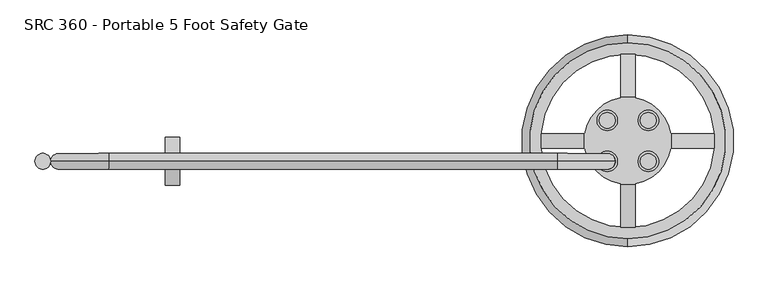
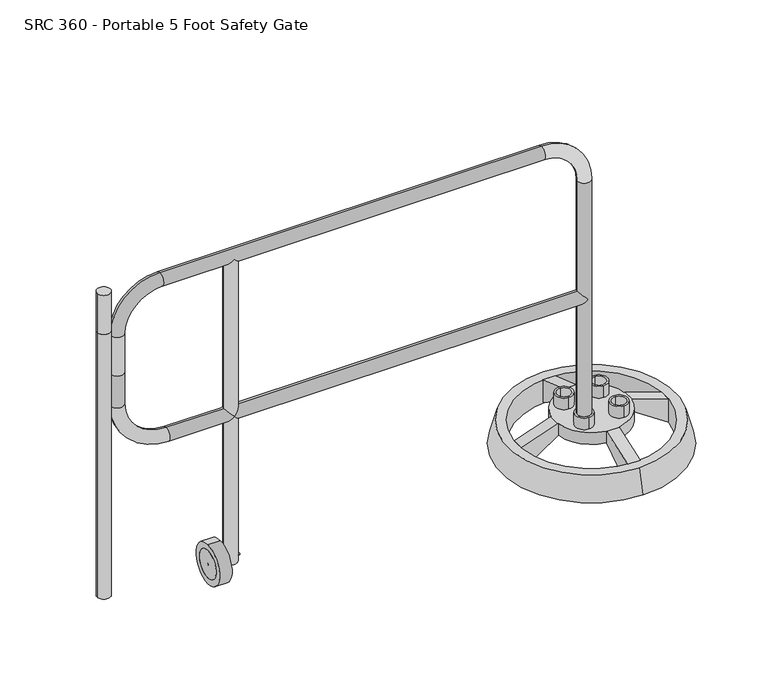
"""IFC4 building model written with IfcOpenShell, lengths in millimetres: railing geometry, SRC 360 - Portable 5 Foot Safety Gate."""

from ifc_helpers import new_model, si_unit, point, frame, frame_2d, origin, place, context, project, spatial, polyline, circle_curve, ellipse_curve, trimmed, segment, composite_curve, outline, extrude, source, transform, mapped, element, save
from ifc_brep_helpers import plane_surface, cylinder_surface, revolved_surface, advanced_brep


def src_360_portable_5_foot_safety_gate_240d9fe8(model_context):
    return source(origin(), model_context, "Body", "SolidModel", [
        advanced_brep(
        [(-33731.4836419, 13551.9643928, 114.3), (-33731.4836419, 13593.2393928, 114.3), (-33731.4836419, 13659.7274662, 114.3), (-33731.4836419, 13701.0024662, 114.3), (-33623.7205684, 13551.9643928, 114.3), (-33623.7205684, 13593.2393928, 114.3), (-33623.7205684, 13659.7274662, 114.3), (-33623.7205684, 13701.0024662, 114.3), (-33658.5521052, 13740.7834295, 114.3), (-33696.6521052, 13740.7834295, 114.3), (-33696.6521052, 13739.1847493, 114.3), (-33790.303425, 13645.5334295, 114.3), (-33791.9021052, 13645.5334295, 114.3), (-33791.9021052, 13607.4334295, 114.3), (-33790.303425, 13607.4334295, 114.3), (-33696.6521052, 13513.7821096, 114.3), (-33696.6521052, 13512.1834295, 114.3), (-33658.5521052, 13512.1834295, 114.3), (-33658.5521052, 13513.7821096, 114.3), (-33564.9007853, 13607.4334295, 114.3), (-33563.3021052, 13607.4334295, 114.3), (-33563.3021052, 13645.5334295, 114.3), (-33564.9007853, 13645.5334295, 114.3), (-33658.5521052, 13739.1847493, 114.3), (-33731.4836419, 13545.6143928, 114.3), (-33731.4836419, 13599.5893928, 114.3), (-33731.4836419, 13653.3774662, 114.3), (-33731.4836419, 13707.3524662, 114.3), (-33623.7205684, 13545.6143928, 114.3), (-33623.7205684, 13599.5893928, 114.3), (-33623.7205684, 13653.3774662, 114.3), (-33623.7205684, 13707.3524662, 114.3), (-33696.6521052, 13740.7834295, 76.2), (-33658.5521052, 13740.7834295, 76.2), (-33658.5521052, 13739.1847493, 76.2), (-33564.9007853, 13645.5334295, 76.2), (-33563.3021052, 13645.5334295, 76.2), (-33563.3021052, 13607.4334295, 76.2), (-33564.9007853, 13607.4334295, 76.2), (-33658.5521052, 13513.7821096, 76.2), (-33658.5521052, 13512.1834295, 76.2), (-33696.6521052, 13512.1834295, 76.2), (-33696.6521052, 13513.7821096, 76.2), (-33790.303425, 13607.4334295, 76.2), (-33791.9021052, 13607.4334295, 76.2), (-33791.9021052, 13645.5334295, 76.2), (-33790.303425, 13645.5334295, 76.2), (-33696.6521052, 13739.1847493, 76.2), (-33658.5521052, 13399.1534295, 76.2), (-33658.5521052, 13399.1534295, 0.0), (-33658.5521052, 13853.8134295, 0.0), (-33658.5521052, 13853.8134295, 76.2), (-33696.6521052, 13853.8134295, 76.2), (-33696.6521052, 13853.8134295, 0.0), (-33696.6521052, 13399.1534295, 0.0), (-33696.6521052, 13399.1534295, 76.2), (-33904.9321052, 13607.4334295, 76.2), (-33904.9321052, 13607.4334295, 0.0), (-33450.2721052, 13607.4334295, 0.0), (-33450.2721052, 13607.4334295, 76.2), (-33450.2721052, 13645.5334295, 76.2), (-33450.2721052, 13645.5334295, 0.0), (-33904.9321052, 13645.5334295, 0.0), (-33904.9321052, 13645.5334295, 76.2), (-33731.4836419, 13599.5893928, 152.4), (-33731.4836419, 13545.6143928, 152.4), (-33731.4836419, 13593.2393928, 152.4), (-33731.4836419, 13551.9643928, 152.4), (-33731.4836419, 13707.3524662, 152.4), (-33731.4836419, 13653.3774662, 152.4), (-33731.4836419, 13701.0024662, 152.4), (-33731.4836419, 13659.7274662, 152.4), (-33623.7205684, 13599.5893928, 152.4), (-33623.7205684, 13545.6143928, 152.4), (-33623.7205684, 13593.2393928, 152.4), (-33623.7205684, 13551.9643928, 152.4), (-33623.7205684, 13707.3524662, 152.4), (-33623.7205684, 13653.3774662, 152.4), (-33623.7205684, 13701.0024662, 152.4), (-33623.7205684, 13659.7274662, 152.4)],
        [
            (0, 1, circle_curve(frame((-33731.4836419, 13572.6018928, 114.3), z_axis=(0.0, 0.0, 1.0), x_axis=(0.0, -1.0, 0.0)), 20.6375)),
            (1, 0, circle_curve(frame((-33731.4836419, 13572.6018928, 114.3), z_axis=(0.0, 0.0, 1.0), x_axis=(0.0, -1.0, 0.0)), 20.6375)),
            (2, 3, circle_curve(frame((-33731.4836419, 13680.3649662, 114.3), z_axis=(0.0, 0.0, 1.0), x_axis=(0.0, -1.0, 0.0)), 20.6375)),
            (3, 2, circle_curve(frame((-33731.4836419, 13680.3649662, 114.3), z_axis=(0.0, 0.0, 1.0), x_axis=(0.0, -1.0, 0.0)), 20.6375)),
            (4, 5, circle_curve(frame((-33623.7205684, 13572.6018928, 114.3), z_axis=(0.0, 0.0, 1.0), x_axis=(0.0, -1.0, 0.0)), 20.6375)),
            (5, 4, circle_curve(frame((-33623.7205684, 13572.6018928, 114.3), z_axis=(0.0, 0.0, 1.0), x_axis=(0.0, -1.0, 0.0)), 20.6375)),
            (6, 7, circle_curve(frame((-33623.7205684, 13680.3649662, 114.3), z_axis=(0.0, 0.0, 1.0), x_axis=(0.0, -1.0, 0.0)), 20.6375)),
            (7, 6, circle_curve(frame((-33623.7205684, 13680.3649662, 114.3), z_axis=(0.0, 0.0, 1.0), x_axis=(0.0, -1.0, 0.0)), 20.6375)),
            (8, 9),
            (9, 10),
            (10, 11, circle_curve(frame((-33677.6021052, 13626.4834295, 114.3), z_axis=(0.0, 0.0, 1.0), x_axis=(0.0, -1.0, 0.0)), 114.3)),
            (11, 12),
            (12, 13),
            (13, 14),
            (14, 15, circle_curve(frame((-33677.6021052, 13626.4834295, 114.3), z_axis=(0.0, 0.0, 1.0), x_axis=(0.0, -1.0, 0.0)), 114.3)),
            (15, 16),
            (16, 17),
            (17, 18),
            (18, 19, circle_curve(frame((-33677.6021052, 13626.4834295, 114.3), z_axis=(0.0, 0.0, 1.0), x_axis=(0.0, -1.0, 0.0)), 114.3)),
            (19, 20),
            (20, 21),
            (21, 22),
            (22, 23, circle_curve(frame((-33677.6021052, 13626.4834295, 114.3), z_axis=(0.0, 0.0, 1.0), x_axis=(0.0, -1.0, 0.0)), 114.3)),
            (23, 8),
            (24, 25, circle_curve(frame((-33731.4836419, 13572.6018928, 114.3), z_axis=(0.0, 0.0, -1.0), x_axis=(0.0, -1.0, 0.0)), 26.9875)),
            (25, 24, circle_curve(frame((-33731.4836419, 13572.6018928, 114.3), z_axis=(0.0, 0.0, -1.0), x_axis=(0.0, -1.0, 0.0)), 26.9875)),
            (26, 27, circle_curve(frame((-33731.4836419, 13680.3649662, 114.3), z_axis=(0.0, 0.0, -1.0), x_axis=(0.0, -1.0, 0.0)), 26.9875)),
            (27, 26, circle_curve(frame((-33731.4836419, 13680.3649662, 114.3), z_axis=(0.0, 0.0, -1.0), x_axis=(0.0, -1.0, 0.0)), 26.9875)),
            (28, 29, circle_curve(frame((-33623.7205684, 13572.6018928, 114.3), z_axis=(0.0, 0.0, -1.0), x_axis=(0.0, -1.0, 0.0)), 26.9875)),
            (29, 28, circle_curve(frame((-33623.7205684, 13572.6018928, 114.3), z_axis=(0.0, 0.0, -1.0), x_axis=(0.0, -1.0, 0.0)), 26.9875)),
            (30, 31, circle_curve(frame((-33623.7205684, 13680.3649662, 114.3), z_axis=(0.0, 0.0, -1.0), x_axis=(0.0, -1.0, 0.0)), 26.9875)),
            (31, 30, circle_curve(frame((-33623.7205684, 13680.3649662, 114.3), z_axis=(0.0, 0.0, -1.0), x_axis=(0.0, -1.0, 0.0)), 26.9875)),
            (32, 33),
            (33, 34),
            (34, 35, circle_curve(frame((-33677.6021052, 13626.4834295, 76.2), z_axis=(0.0, 0.0, -1.0), x_axis=(0.0, -1.0, 0.0)), 114.3)),
            (35, 36),
            (36, 37),
            (37, 38),
            (38, 39, circle_curve(frame((-33677.6021052, 13626.4834295, 76.2), z_axis=(0.0, 0.0, -1.0), x_axis=(0.0, -1.0, 0.0)), 114.3)),
            (39, 40),
            (40, 41),
            (41, 42),
            (42, 43, circle_curve(frame((-33677.6021052, 13626.4834295, 76.2), z_axis=(0.0, 0.0, -1.0), x_axis=(0.0, -1.0, 0.0)), 114.3)),
            (43, 44),
            (44, 45),
            (45, 46),
            (46, 47, circle_curve(frame((-33677.6021052, 13626.4834295, 76.2), z_axis=(0.0, 0.0, -1.0), x_axis=(0.0, -1.0, 0.0)), 114.3)),
            (47, 32),
            (22, 35),
            (34, 23),
            (38, 19),
            (18, 39),
            (14, 43),
            (42, 15),
            (46, 11),
            (10, 47),
            (17, 48),
            (48, 49),
            (49, 40),
            (33, 50),
            (50, 51),
            (51, 8),
            (9, 52),
            (52, 53),
            (53, 32),
            (41, 54),
            (54, 55),
            (55, 16),
            (49, 54),
            (48, 55),
            (51, 52),
            (50, 53),
            (13, 56),
            (56, 57),
            (57, 44),
            (37, 58),
            (58, 59),
            (59, 20),
            (21, 60),
            (60, 61),
            (61, 36),
            (45, 62),
            (62, 63),
            (63, 12),
            (57, 62),
            (56, 63),
            (59, 60),
            (58, 61),
            (64, 65, circle_curve(frame((-33731.4836419, 13572.6018928, 152.4), z_axis=(0.0, 0.0, 1.0), x_axis=(0.0, -1.0, 0.0)), 26.9875)),
            (65, 64, circle_curve(frame((-33731.4836419, 13572.6018928, 152.4), z_axis=(0.0, 0.0, 1.0), x_axis=(0.0, -1.0, 0.0)), 26.9875)),
            (66, 67, circle_curve(frame((-33731.4836419, 13572.6018928, 152.4), z_axis=(0.0, 0.0, -1.0), x_axis=(0.0, -1.0, 0.0)), 20.6375)),
            (67, 66, circle_curve(frame((-33731.4836419, 13572.6018928, 152.4), z_axis=(0.0, 0.0, -1.0), x_axis=(0.0, -1.0, 0.0)), 20.6375)),
            (68, 69, circle_curve(frame((-33731.4836419, 13680.3649662, 152.4), z_axis=(0.0, 0.0, 1.0), x_axis=(0.0, -1.0, 0.0)), 26.9875)),
            (69, 68, circle_curve(frame((-33731.4836419, 13680.3649662, 152.4), z_axis=(0.0, 0.0, 1.0), x_axis=(0.0, -1.0, 0.0)), 26.9875)),
            (70, 71, circle_curve(frame((-33731.4836419, 13680.3649662, 152.4), z_axis=(0.0, 0.0, -1.0), x_axis=(0.0, -1.0, 0.0)), 20.6375)),
            (71, 70, circle_curve(frame((-33731.4836419, 13680.3649662, 152.4), z_axis=(0.0, 0.0, -1.0), x_axis=(0.0, -1.0, 0.0)), 20.6375)),
            (72, 73, circle_curve(frame((-33623.7205684, 13572.6018928, 152.4), z_axis=(0.0, 0.0, 1.0), x_axis=(0.0, -1.0, 0.0)), 26.9875)),
            (73, 72, circle_curve(frame((-33623.7205684, 13572.6018928, 152.4), z_axis=(0.0, 0.0, 1.0), x_axis=(0.0, -1.0, 0.0)), 26.9875)),
            (74, 75, circle_curve(frame((-33623.7205684, 13572.6018928, 152.4), z_axis=(0.0, 0.0, -1.0), x_axis=(0.0, -1.0, 0.0)), 20.6375)),
            (75, 74, circle_curve(frame((-33623.7205684, 13572.6018928, 152.4), z_axis=(0.0, 0.0, -1.0), x_axis=(0.0, -1.0, 0.0)), 20.6375)),
            (76, 77, circle_curve(frame((-33623.7205684, 13680.3649662, 152.4), z_axis=(0.0, 0.0, 1.0), x_axis=(0.0, -1.0, 0.0)), 26.9875)),
            (77, 76, circle_curve(frame((-33623.7205684, 13680.3649662, 152.4), z_axis=(0.0, 0.0, 1.0), x_axis=(0.0, -1.0, 0.0)), 26.9875)),
            (78, 79, circle_curve(frame((-33623.7205684, 13680.3649662, 152.4), z_axis=(0.0, 0.0, -1.0), x_axis=(0.0, -1.0, 0.0)), 20.6375)),
            (79, 78, circle_curve(frame((-33623.7205684, 13680.3649662, 152.4), z_axis=(0.0, 0.0, -1.0), x_axis=(0.0, -1.0, 0.0)), 20.6375)),
            (67, 0),
            (1, 66),
            (65, 24),
            (25, 64),
            (71, 2),
            (3, 70),
            (69, 26),
            (27, 68),
            (75, 4),
            (5, 74),
            (73, 28),
            (29, 72),
            (79, 6),
            (7, 78),
            (77, 30),
            (31, 76),
        ],
        [
            plane_surface(frame((-33677.6021052, 13512.1834295, 114.3), z_axis=(0.0, 0.0, 1.0), x_axis=(-1.0, 0.0, 0.0))),
            plane_surface(frame((-33677.6021052, 13512.1834295, 76.2), z_axis=(0.0, 0.0, -1.0), x_axis=(1.0, 0.0, 0.0))),
            cylinder_surface(frame((-33677.6021052, 13626.4834295, 76.2), z_axis=(0.0, 0.0, 1.0), x_axis=(0.0, -1.0, 0.0)), 114.3),
            plane_surface(frame((-33658.5521052, 13740.7834295, 76.2), z_axis=(1.0, 0.0, 0.0), x_axis=(0.0, -1.0, 0.0))),
            plane_surface(frame((-33696.6521052, 13740.7834295, 76.2), z_axis=(-1.0, 0.0, 0.0), x_axis=(0.0, 1.0, 0.0))),
            plane_surface(frame((-33658.5521052, 13512.1834295, 76.2), z_axis=(0.0, 0.5589927330635486, -0.8291725540453835), x_axis=(-1.0, 0.0, 0.0))),
            plane_surface(frame((-33658.5521052, 13399.1534295, 0.0), z_axis=(0.0, -1.0, 0.0), x_axis=(-1.0, 0.0, 0.0))),
            plane_surface(frame((-33658.5521052, 13399.1534295, 76.2), z_axis=(0.0, -0.3194201752933905, 0.9476131867041212), x_axis=(-1.0, 0.0, 0.0))),
            plane_surface(frame((-33658.5521052, 13740.7834295, 114.3), z_axis=(0.0, 0.31942017529351635, 0.9476131867040788), x_axis=(-1.0, 0.0, 0.0))),
            plane_surface(frame((-33658.5521052, 13853.8134295, 76.2), z_axis=(0.0, 1.0, 0.0), x_axis=(-1.0, 0.0, 0.0))),
            plane_surface(frame((-33658.5521052, 13853.8134295, 0.0), z_axis=(0.0, -0.558992733064067, -0.829172554045034), x_axis=(-1.0, 0.0, 0.0))),
            plane_surface(frame((-33904.9321052, 13607.4334295, 0.0), z_axis=(0.0, -1.0000000000000002, 0.0), x_axis=(-0.829172554045034, 0.0, -0.5589927330640672))),
            plane_surface(frame((-33904.9321052, 13645.5334295, 0.0), z_axis=(0.0, 1.0000000000000002, 0.0), x_axis=(0.829172554045034, 0.0, 0.5589927330640672))),
            plane_surface(frame((-33791.9021052, 13607.4334295, 76.2), z_axis=(0.5589927330640672, 0.0, -0.829172554045034), x_axis=(0.0, 1.0, 0.0))),
            plane_surface(frame((-33904.9321052, 13607.4334295, 0.0), z_axis=(-1.0, 0.0, 0.0), x_axis=(0.0, 1.0, 0.0))),
            plane_surface(frame((-33904.9321052, 13607.4334295, 76.2), z_axis=(-0.31942017529351113, 0.0, 0.9476131867040806), x_axis=(0.0, 1.0, 0.0))),
            plane_surface(frame((-33563.3021052, 13607.4334295, 114.3), z_axis=(0.31942017529351646, 0.0, 0.9476131867040788), x_axis=(0.0, 1.0, 0.0))),
            plane_surface(frame((-33450.2721052, 13607.4334295, 76.2), z_axis=(1.0, 0.0, 0.0), x_axis=(0.0, 1.0, 0.0))),
            plane_surface(frame((-33450.2721052, 13607.4334295, 0.0), z_axis=(-0.558992733064071, 0.0, -0.8291725540450313), x_axis=(0.0, 1.0, 0.0))),
            plane_surface(frame((-33731.4836419, 13551.9643928, 152.4), z_axis=(0.0, 0.0, 1.0), x_axis=(1.0, 0.0, 0.0))),
            revolved_surface(polyline([(-33731.4836419, 13551.964392799999, 114.3), (-33731.4836419, 13551.964392799999, 152.4)]), (-33731.4836419, 13572.6018928, 114.3), (0.0, 0.0, -1.0)),
            cylinder_surface(frame((-33731.4836419, 13572.6018928, 0.0), z_axis=(0.0, 0.0, 1.0), x_axis=(0.0, -1.0, 0.0)), 26.9875),
            revolved_surface(polyline([(-33731.4836419, 13659.7274662, 114.3), (-33731.4836419, 13659.7274662, 152.4)]), (-33731.4836419, 13680.3649662, 0.0), (0.0, 0.0, -1.0)),
            cylinder_surface(frame((-33731.4836419, 13680.3649662, 0.0), z_axis=(0.0, 0.0, 1.0), x_axis=(0.0, -1.0, 0.0)), 26.9875),
            revolved_surface(polyline([(-33623.7205684, 13551.964392799999, 114.3), (-33623.7205684, 13551.964392799999, 152.4)]), (-33623.7205684, 13572.6018928, 0.0), (0.0, 0.0, -1.0)),
            cylinder_surface(frame((-33623.7205684, 13572.6018928, 0.0), z_axis=(0.0, 0.0, 1.0), x_axis=(0.0, -1.0, 0.0)), 26.9875),
            revolved_surface(polyline([(-33623.7205684, 13659.7274662, 114.3), (-33623.7205684, 13659.7274662, 152.4)]), (-33623.7205684, 13680.3649662, 0.0), (0.0, 0.0, -1.0)),
            cylinder_surface(frame((-33623.7205684, 13680.3649662, 0.0), z_axis=(0.0, 0.0, 1.0), x_axis=(0.0, -1.0, 0.0)), 26.9875),
        ],
        [
            (0, [[1, 2]]),
            (0, [[3, 4]]),
            (0, [[5, 6]]),
            (0, [[7, 8]]),
            (0, [[9, 10, 11, 12, 13, 14, 15, 16, 17, 18, 19, 20, 21, 22, 23, 24], [25, 26], [27, 28], [29, 30], [31, 32]]),
            (1, [[33, 34, 35, 36, 37, 38, 39, 40, 41, 42, 43, 44, 45, 46, 47, 48]]),
            (2, [[-23, 49, -35, 50]]),
            (2, [[-39, 51, -19, 52]]),
            (2, [[-15, 53, -43, 54]]),
            (2, [[-47, 55, -11, 56]]),
            (3, [[-40, -52, -18, 57, 58, 59]]),
            (3, [[-24, -50, -34, 60, 61, 62]]),
            (4, [[-48, -56, -10, 63, 64, 65]]),
            (4, [[-16, -54, -42, 66, 67, 68]]),
            (5, [[69, -66, -41, -59]]),
            (6, [[70, -67, -69, -58]]),
            (7, [[-17, -68, -70, -57]]),
            (8, [[71, -63, -9, -62]]),
            (9, [[72, -64, -71, -61]]),
            (10, [[-33, -65, -72, -60]]),
            (11, [[-44, -53, -14, 73, 74, 75]]),
            (11, [[-20, -51, -38, 76, 77, 78]]),
            (12, [[-36, -49, -22, 79, 80, 81]]),
            (12, [[-12, -55, -46, 82, 83, 84]]),
            (13, [[85, -82, -45, -75]]),
            (14, [[86, -83, -85, -74]]),
            (15, [[-13, -84, -86, -73]]),
            (16, [[87, -79, -21, -78]]),
            (17, [[88, -80, -87, -77]]),
            (18, [[-37, -81, -88, -76]]),
            (19, [[89, 90], [91, 92]]),
            (19, [[93, 94], [95, 96]]),
            (19, [[97, 98], [99, 100]]),
            (19, [[101, 102], [103, 104]]),
            (20, [[105, -2, 106, -92]]),
            (20, [[-106, -1, -105, -91]]),
            (21, [[107, -26, 108, -90]]),
            (21, [[-108, -25, -107, -89]]),
            (22, [[109, -4, 110, -96]]),
            (22, [[-110, -3, -109, -95]]),
            (23, [[111, -28, 112, -94]]),
            (23, [[-112, -27, -111, -93]]),
            (24, [[113, -6, 114, -100]]),
            (24, [[-114, -5, -113, -99]]),
            (25, [[115, -30, 116, -98]]),
            (25, [[-116, -29, -115, -97]]),
            (26, [[117, -8, 118, -104]]),
            (26, [[-118, -7, -117, -103]]),
            (27, [[119, -32, 120, -102]]),
            (27, [[-120, -31, -119, -101]]),
        ],
    ),
        advanced_brep(
        [(-33677.6021052, 13399.1534295, 0.0), (-33677.6021052, 13399.1534295, 76.2), (-33677.6021052, 13853.8134295, 76.2), (-33677.6021052, 13853.8134295, 0.0), (-33677.6021052, 13368.7711579, 76.2), (-33677.6021052, 13348.3534295, 0.0), (-33677.6021052, 13904.6134295, 0.0), (-33677.6021052, 13884.195701, 76.2)],
        [
            (0, 1),
            (1, 2, circle_curve(frame((-33677.6021052, 13626.4834295, 76.2), z_axis=(0.0, 0.0, 1.0), x_axis=(0.0, 1.0, 0.0)), 227.33)),
            (2, 3),
            (3, 0, circle_curve(frame((-33677.6021052, 13626.4834295, 0.0), z_axis=(0.0, 0.0, -1.0), x_axis=(0.0, 1.0, 0.0)), 227.33)),
            (4, 5),
            (5, 6, circle_curve(frame((-33677.6021052, 13626.4834295, 0.0), z_axis=(0.0, 0.0, 1.0), x_axis=(0.0, 1.0, 0.0)), 278.13)),
            (6, 7),
            (7, 4, circle_curve(frame((-33677.6021052, 13626.4834295, 76.2), z_axis=(0.0, 0.0, -1.0), x_axis=(0.0, 1.0, 0.0)), 257.7122715)),
            (7, 4, circle_curve(frame((-33677.6021052, 13626.4834295, 76.2), z_axis=(0.0, 0.0, 1.0), x_axis=(0.0, -1.0, 0.0)), 257.7122715)),
            (1, 2, circle_curve(frame((-33677.6021052, 13626.4834295, 76.2), z_axis=(0.0, 0.0, -1.0), x_axis=(0.0, -1.0, 0.0)), 227.33)),
            (0, 3, circle_curve(frame((-33677.6021052, 13626.4834295, 0.0), z_axis=(0.0, 0.0, -1.0), x_axis=(0.0, -1.0, 0.0)), 227.33)),
            (5, 6, circle_curve(frame((-33677.6021052, 13626.4834295, 0.0), z_axis=(0.0, 0.0, -1.0), x_axis=(0.0, -1.0, 0.0)), 278.13)),
        ],
        [
            revolved_surface(polyline([(-33677.6021052, 13853.8134295, 76.2), (-33677.6021052, 13853.8134295, 0.0)]), (-33677.6021052, 13626.4834295, 0.0), (0.0, 0.0, 1.0)),
            revolved_surface(polyline([(-33677.6021052, 13904.6134295, 0.0), (-33677.6021052, 13884.195701, 76.2)]), (-33677.6021052, 13626.4834295, 0.0), (0.0, 0.0, 1.0)),
            plane_surface(frame((-33677.6021052, 13626.4834295, 76.2), z_axis=(0.0, 0.0, 1.0), x_axis=(0.0, -1.0, 0.0))),
            revolved_surface(polyline([(-33677.6021052, 13399.1534295, 76.2), (-33677.6021052, 13399.1534295, 0.0)]), (-33677.6021052, 13626.4834295, 0.0), (0.0, 0.0, 1.0)),
            plane_surface(frame((-33677.6021052, 13626.4834295, 0.0), z_axis=(0.0, 0.0, -1.0), x_axis=(0.0, -1.0, 0.0))),
            revolved_surface(polyline([(-33677.6021052, 13348.3534295, 0.0), (-33677.6021052, 13368.7711579, 76.2)]), (-33677.6021052, 13626.4834295, 0.0), (0.0, 0.0, 1.0)),
        ],
        [
            (0, [[1, 2, 3, 4]]),
            (1, [[5, 6, 7, 8]]),
            (2, [[-8, 9], [-2, 10]]),
            (3, [[-3, -10, -1, 11]]),
            (4, [[-6, 12], [-4, -11]]),
            (5, [[-7, -12, -5, -9]]),
        ],
    ),
        extrude(outline(composite_curve([segment(trimmed(circle_curve(frame_2d((-35214.2086419, 13572.6018928)), 20.6375), [point((-35234.8461419, 13572.6018928))], [point((-35193.5711419, 13572.6018928))], False, "CARTESIAN"), True, "CONTINUOUS"), segment(trimmed(circle_curve(frame_2d((-35214.2086419, 13572.6018928)), 20.6375), [point((-35193.5711419, 13572.6018928))], [point((-35234.8461419, 13572.6018928))], False, "CARTESIAN"), True, "CONTINUOUS")], self_intersect=False)), frame((0.0, 0.0, 939.8), z_axis=(0.0, 0.0, 1.0), x_axis=(1.0, 0.0, 0.0)), (0.0, 0.0, 1.0), 127.0),
        extrude(outline(composite_curve([segment(trimmed(circle_curve(frame_2d((13572.6018928, 63.5)), 44.45), [point((13572.6018928, 107.95))], [point((13572.6018928, 19.05))], False, "CARTESIAN"), True, "CONTINUOUS"), segment(trimmed(circle_curve(frame_2d((13572.6018928, 63.5)), 44.45), [point((13572.6018928, 19.05))], [point((13572.6018928, 107.95))], False, "CARTESIAN"), True, "CONTINUOUS")], self_intersect=False)), frame((-34892.7398919, 0.0, 0.0), z_axis=(1.0, 0.0, 0.0), x_axis=(0.0, 1.0, 0.0)), (0.0, 0.0, 1.0), 38.1),
        extrude(outline(composite_curve([segment(trimmed(circle_curve(frame_2d((13572.6018928, 63.5)), 63.5), [point((13572.6018928, 127.0))], [point((13572.6018928, 0.0))], False, "CARTESIAN"), True, "CONTINUOUS"), segment(trimmed(circle_curve(frame_2d((13572.6018928, 63.5)), 63.5), [point((13572.6018928, 0.0))], [point((13572.6018928, 127.0))], False, "CARTESIAN"), True, "CONTINUOUS")], self_intersect=False), holes=[composite_curve([segment(trimmed(circle_curve(frame_2d((13572.6018928, 63.5)), 44.45), [point((13572.6018928, 107.95))], [point((13572.6018928, 19.05))], True, "CARTESIAN"), True, "CONTINUOUS"), segment(trimmed(circle_curve(frame_2d((13572.6018928, 63.5)), 44.45), [point((13572.6018928, 19.05))], [point((13572.6018928, 107.95))], True, "CARTESIAN"), True, "CONTINUOUS")], self_intersect=False)]), frame((-34892.7398919, 0.0, 0.0), z_axis=(1.0, 0.0, 0.0), x_axis=(0.0, 1.0, 0.0)), (0.0, 0.0, 1.0), 38.1),
        extrude(outline(composite_curve([segment(trimmed(circle_curve(frame_2d((13572.6018928, 63.5)), 3.175), [point((13572.6018928, 66.675))], [point((13572.6018928, 60.325))], False, "CARTESIAN"), True, "CONTINUOUS"), segment(trimmed(circle_curve(frame_2d((13572.6018928, 63.5)), 3.175), [point((13572.6018928, 60.325))], [point((13572.6018928, 66.675))], False, "CARTESIAN"), True, "CONTINUOUS")], self_intersect=False)), frame((-34892.7398919, 0.0, 0.0), z_axis=(1.0, 0.0, 0.0), x_axis=(0.0, 1.0, 0.0)), (0.0, 0.0, 1.0), 96.8375),
        extrude(outline(composite_curve([segment(trimmed(circle_curve(frame_2d((-35214.2086419, 13572.6018928)), 20.6375), [point((-35234.8461419, 13572.6018928))], [point((-35193.5711419, 13572.6018928))], False, "CARTESIAN"), True, "CONTINUOUS"), segment(trimmed(circle_curve(frame_2d((-35214.2086419, 13572.6018928)), 20.6375), [point((-35193.5711419, 13572.6018928))], [point((-35234.8461419, 13572.6018928))], False, "CARTESIAN"), True, "CONTINUOUS")], self_intersect=False)), frame((0.0, 0.0, 76.2), z_axis=(0.0, 0.0, 1.0), x_axis=(1.0, 0.0, 0.0)), (0.0, 0.0, 1.0), 863.6),
        advanced_brep(
        [(-35020.5336419, 13572.6018928, 512.7625), (-34843.5273919, 13572.6018928, 512.7625), (-34822.8898919, 13551.9643928, 533.4), (-34843.5273919, 13572.6018928, 554.0375), (-35020.5336419, 13572.6018928, 554.0375), (-33731.4836419, 13551.9643928, 533.4), (-33752.1211419, 13572.6018928, 554.0375), (-34802.2523919, 13572.6018928, 554.0375), (-34802.2523919, 13572.6018928, 512.7625), (-33752.1211419, 13572.6018928, 512.7625), (-34822.8898919, 13593.2393928, 533.4), (-33731.4836419, 13593.2393928, 533.4), (-35193.5711419, 13572.6018928, 789.78125), (-35152.2961419, 13572.6018928, 789.78125), (-35152.2961419, 13572.6018928, 914.4), (-35193.5711419, 13572.6018928, 914.4), (-35041.1711419, 13572.6018928, 1025.525), (-35041.1711419, 13572.6018928, 1066.8), (-34843.5273919, 13572.6018928, 1025.525), (-34822.8898919, 13551.9643928, 1046.1625), (-34802.2523919, 13572.6018928, 1025.525), (-33863.2461419, 13572.6018928, 1025.525), (-33863.2461419, 13572.6018928, 1066.8), (-34822.8898919, 13593.2393928, 1046.1625), (-33752.1211419, 13572.6018928, 914.4), (-33710.8461419, 13572.6018928, 914.4), (-33710.8461419, 13572.6018928, 152.4), (-33752.1211419, 13572.6018928, 152.4), (-35193.5711419, 13572.6018928, 685.8), (-35152.2961419, 13572.6018928, 685.8), (-34843.5273919, 13572.6018928, 50.8), (-34802.2523919, 13572.6018928, 50.8)],
        [
            (0, 1),
            (1, 2, ellipse_curve(frame((-34822.8898919, 13572.6018928, 533.4), z_axis=(-0.7071067811865475, 0.0, 0.7071067811865475), x_axis=(-0.7071067811865476, 0.0, -0.7071067811865474)), 29.1858324, 20.6375)),
            (2, 3, ellipse_curve(frame((-34822.8898919, 13572.6018928, 533.4), z_axis=(-0.7071067811865475, 0.0, -0.7071067811865475), x_axis=(-0.7071067811865476, 0.0, 0.7071067811865474)), 29.1858324, 20.6375)),
            (3, 4),
            (4, 0, circle_curve(frame((-35020.5336419, 13572.6018928, 533.4), z_axis=(1.0, 0.0, 0.0), x_axis=(0.0, 0.0, -1.0)), 20.6375)),
            (5, 6, ellipse_curve(frame((-33731.4836419, 13572.6018928, 533.4), z_axis=(-0.7071067811865475, 0.0, -0.7071067811865475), x_axis=(-0.7071067811865476, 0.0, 0.7071067811865474)), 29.1858324, 20.6375)),
            (6, 7),
            (7, 2, ellipse_curve(frame((-34822.8898919, 13572.6018928, 533.4), z_axis=(0.7071067811865475, 0.0, -0.7071067811865475), x_axis=(-0.7071067811865476, 0.0, -0.7071067811865474)), 29.1858324, 20.6375)),
            (2, 8, ellipse_curve(frame((-34822.8898919, 13572.6018928, 533.4), z_axis=(0.7071067811865475, 0.0, 0.7071067811865475), x_axis=(-0.7071067811865476, 0.0, 0.7071067811865474)), 29.1858324, 20.6375)),
            (8, 9),
            (9, 5, ellipse_curve(frame((-33731.4836419, 13572.6018928, 533.4), z_axis=(-0.7071067811865475, 0.0, 0.7071067811865475), x_axis=(-0.7071067811865476, 0.0, -0.7071067811865474)), 29.1858324, 20.6375)),
            (3, 10, ellipse_curve(frame((-34822.8898919, 13572.6018928, 533.4), z_axis=(-0.7071067811865475, 0.0, -0.7071067811865475), x_axis=(-0.7071067811865476, 0.0, 0.7071067811865474)), 29.1858324, 20.6375)),
            (10, 1, ellipse_curve(frame((-34822.8898919, 13572.6018928, 533.4), z_axis=(-0.7071067811865475, 0.0, 0.7071067811865475), x_axis=(-0.7071067811865476, 0.0, -0.7071067811865474)), 29.1858324, 20.6375)),
            (0, 4, circle_curve(frame((-35020.5336419, 13572.6018928, 533.4), z_axis=(1.0, 0.0, 0.0), x_axis=(0.0, 0.0, -1.0)), 20.6375)),
            (11, 9, ellipse_curve(frame((-33731.4836419, 13572.6018928, 533.4), z_axis=(-0.7071067811865475, 0.0, 0.7071067811865475), x_axis=(-0.7071067811865476, 0.0, -0.7071067811865474)), 29.1858324, 20.6375)),
            (8, 10, ellipse_curve(frame((-34822.8898919, 13572.6018928, 533.4), z_axis=(0.7071067811865475, 0.0, 0.7071067811865475), x_axis=(-0.7071067811865476, 0.0, 0.7071067811865474)), 29.1858324, 20.6375)),
            (10, 7, ellipse_curve(frame((-34822.8898919, 13572.6018928, 533.4), z_axis=(0.7071067811865475, 0.0, -0.7071067811865475), x_axis=(-0.7071067811865476, 0.0, -0.7071067811865474)), 29.1858324, 20.6375)),
            (6, 11, ellipse_curve(frame((-33731.4836419, 13572.6018928, 533.4), z_axis=(-0.7071067811865475, 0.0, -0.7071067811865475), x_axis=(-0.7071067811865476, 0.0, 0.7071067811865474)), 29.1858324, 20.6375)),
            (12, 13, circle_curve(frame((-35172.9336419, 13572.6018928, 789.78125), z_axis=(0.0, 0.0, 1.0), x_axis=(1.0, 0.0, 0.0)), 20.6375)),
            (13, 14),
            (14, 15, circle_curve(frame((-35172.9336419, 13572.6018928, 914.4), z_axis=(0.0, 0.0, -1.0), x_axis=(1.0, 0.0, 0.0)), 20.6375)),
            (15, 12),
            (15, 14, circle_curve(frame((-35172.9336419, 13572.6018928, 914.4), z_axis=(0.0, 0.0, -1.0), x_axis=(1.0, 0.0, 0.0)), 20.6375)),
            (13, 12, circle_curve(frame((-35172.9336419, 13572.6018928, 789.78125), z_axis=(0.0, 0.0, 1.0), x_axis=(1.0, 0.0, 0.0)), 20.6375)),
            (14, 16, circle_curve(frame((-35041.1711419, 13572.6018928, 914.4), z_axis=(0.0, 1.0, 0.0), x_axis=(-1.0, 0.0, 0.0)), 111.125)),
            (16, 17, circle_curve(frame((-35041.1711419, 13572.6018928, 1046.1625), z_axis=(-1.0, 0.0, 0.0), x_axis=(0.0, 0.0, -1.0)), 20.6375)),
            (17, 15, circle_curve(frame((-35041.1711419, 13572.6018928, 914.4), z_axis=(0.0, -1.0, 0.0), x_axis=(-1.0, 0.0, 0.0)), 152.4)),
            (17, 16, circle_curve(frame((-35041.1711419, 13572.6018928, 1046.1625), z_axis=(-1.0, 0.0, 0.0), x_axis=(0.0, 0.0, -1.0)), 20.6375)),
            (16, 18),
            (18, 19, ellipse_curve(frame((-34822.8898919, 13572.6018928, 1046.1625), z_axis=(-0.7071067811865475, 0.0, 0.7071067811865475), x_axis=(-0.7071067811865476, 0.0, -0.7071067811865474)), 29.1858324, 20.6375)),
            (19, 20, ellipse_curve(frame((-34822.8898919, 13572.6018928, 1046.1625), z_axis=(0.7071067811865475, 0.0, 0.7071067811865475), x_axis=(-0.7071067811865476, 0.0, 0.7071067811865474)), 29.1858324, 20.6375)),
            (20, 21),
            (21, 22, circle_curve(frame((-33863.2461419, 13572.6018928, 1046.1625), z_axis=(-1.0, 0.0, 0.0), x_axis=(0.0, 0.0, -1.0)), 20.6375)),
            (22, 17),
            (22, 21, circle_curve(frame((-33863.2461419, 13572.6018928, 1046.1625), z_axis=(-1.0, 0.0, 0.0), x_axis=(0.0, 0.0, -1.0)), 20.6375)),
            (20, 23, ellipse_curve(frame((-34822.8898919, 13572.6018928, 1046.1625), z_axis=(0.7071067811865475, 0.0, 0.7071067811865475), x_axis=(-0.7071067811865476, 0.0, 0.7071067811865474)), 29.1858324, 20.6375)),
            (23, 18, ellipse_curve(frame((-34822.8898919, 13572.6018928, 1046.1625), z_axis=(-0.7071067811865475, 0.0, 0.7071067811865475), x_axis=(-0.7071067811865476, 0.0, -0.7071067811865474)), 29.1858324, 20.6375)),
            (21, 24, circle_curve(frame((-33863.2461419, 13572.6018928, 914.4), z_axis=(0.0, 1.0, 0.0), x_axis=(0.0, 0.0, 1.0)), 111.125)),
            (24, 25, circle_curve(frame((-33731.4836419, 13572.6018928, 914.4), z_axis=(0.0, 0.0, 1.0), x_axis=(-1.0, 0.0, 0.0)), 20.6375)),
            (25, 22, circle_curve(frame((-33863.2461419, 13572.6018928, 914.4), z_axis=(0.0, -1.0, 0.0), x_axis=(0.0, 0.0, 1.0)), 152.4)),
            (25, 24, circle_curve(frame((-33731.4836419, 13572.6018928, 914.4), z_axis=(0.0, 0.0, 1.0), x_axis=(-1.0, 0.0, 0.0)), 20.6375)),
            (26, 27, circle_curve(frame((-33731.4836419, 13572.6018928, 152.4), z_axis=(0.0, 0.0, -1.0), x_axis=(-1.0, 0.0, 0.0)), 20.6375)),
            (27, 26, circle_curve(frame((-33731.4836419, 13572.6018928, 152.4), z_axis=(0.0, 0.0, -1.0), x_axis=(-1.0, 0.0, 0.0)), 20.6375)),
            (24, 6),
            (9, 27),
            (26, 25),
            (12, 28),
            (28, 29, circle_curve(frame((-35172.9336419, 13572.6018928, 685.8), z_axis=(0.0, 0.0, 1.0), x_axis=(-1.0, 0.0, 0.0)), 20.6375)),
            (29, 13),
            (29, 28, circle_curve(frame((-35172.9336419, 13572.6018928, 685.8), z_axis=(0.0, 0.0, 1.0), x_axis=(-1.0, 0.0, 0.0)), 20.6375)),
            (4, 29, circle_curve(frame((-35020.5336419, 13572.6018928, 685.8), z_axis=(0.0, 1.0, 0.0), x_axis=(-1.0, 0.0, 0.0)), 131.7625)),
            (28, 0, circle_curve(frame((-35020.5336419, 13572.6018928, 685.8), z_axis=(0.0, -1.0, 0.0), x_axis=(-1.0, 0.0, 0.0)), 173.0375)),
            (30, 31, circle_curve(frame((-34822.8898919, 13572.6018928, 50.8), z_axis=(0.0, 0.0, -1.0), x_axis=(1.0, 0.0, 0.0)), 20.6375)),
            (31, 30, circle_curve(frame((-34822.8898919, 13572.6018928, 50.8), z_axis=(0.0, 0.0, -1.0), x_axis=(1.0, 0.0, 0.0)), 20.6375)),
            (31, 8),
            (1, 30),
            (7, 20),
            (18, 3),
        ],
        [
            cylinder_surface(frame((-35020.5336419, 13572.6018928, 533.4), z_axis=(-1.0, 0.0, 0.0), x_axis=(0.0, 0.0, -1.0)), 20.6375),
            cylinder_surface(frame((-35172.9336419, 13572.6018928, 789.78125), z_axis=(0.0, 0.0, -1.0), x_axis=(1.0, 0.0, 0.0)), 20.6375),
            revolved_surface(trimmed(ellipse_curve(frame((-35172.9336419, 13572.6018928, 914.4), z_axis=(0.0, 0.0, 1.0), x_axis=(1.0, 0.0, 0.0)), 20.6375, 20.6375), [point((-35193.5711419, 13572.6018928, 914.4))], [point((-35152.2961419, 13572.6018928, 914.4))], True, "CARTESIAN"), (-35041.1711419, 13572.6018928, 914.4), (0.0, -1.0, 0.0)),
            revolved_surface(trimmed(ellipse_curve(frame((-35172.9336419, 13572.6018928, 914.4), z_axis=(0.0, 0.0, 1.0), x_axis=(1.0, 0.0, 0.0)), 20.6375, 20.6375), [point((-35152.2961419, 13572.6018928, 914.4))], [point((-35193.5711419, 13572.6018928, 914.4))], True, "CARTESIAN"), (-35041.1711419, 13572.6018928, 914.4), (0.0, -1.0, 0.0)),
            cylinder_surface(frame((-35041.1711419, 13572.6018928, 1046.1625), z_axis=(-1.0, 0.0, 0.0), x_axis=(0.0, 0.0, -1.0)), 20.6375),
            revolved_surface(trimmed(ellipse_curve(frame((-33863.2461419, 13572.6018928, 1046.1625), z_axis=(1.0, 0.0, 0.0), x_axis=(0.0, 0.0, -1.0)), 20.6375, 20.6375), [point((-33863.2461419, 13572.6018928, 1066.8))], [point((-33863.2461419, 13572.6018928, 1025.525))], True, "CARTESIAN"), (-33863.2461419, 13572.6018928, 914.4), (0.0, -1.0, 0.0)),
            revolved_surface(trimmed(ellipse_curve(frame((-33863.2461419, 13572.6018928, 1046.1625), z_axis=(1.0, 0.0, 0.0), x_axis=(0.0, 0.0, -1.0)), 20.6375, 20.6375), [point((-33863.2461419, 13572.6018928, 1025.525))], [point((-33863.2461419, 13572.6018928, 1066.8))], True, "CARTESIAN"), (-33863.2461419, 13572.6018928, 914.4), (0.0, -1.0, 0.0)),
            plane_surface(frame((-33710.8461419, 13572.6018928, 152.4), z_axis=(0.0, 0.0, -1.0), x_axis=(0.0, -1.0, 0.0))),
            cylinder_surface(frame((-33731.4836419, 13572.6018928, 914.4), z_axis=(0.0, 0.0, 1.0), x_axis=(-1.0, 0.0, 0.0)), 20.6375),
            cylinder_surface(frame((-35172.9336419, 13572.6018928, 789.78125), z_axis=(0.0, 0.0, 1.0), x_axis=(-1.0, 0.0, 0.0)), 20.6375),
            revolved_surface(trimmed(ellipse_curve(frame((-35172.9336419, 13572.6018928, 685.8), z_axis=(0.0, 0.0, -1.0), x_axis=(-1.0, 0.0, 0.0)), 20.6375, 20.6375), [point((-35152.2961419, 13572.6018928, 685.8))], [point((-35193.5711419, 13572.6018928, 685.8))], True, "CARTESIAN"), (-35020.5336419, 13572.6018928, 685.8), (0.0, 1.0, 0.0)),
            revolved_surface(trimmed(ellipse_curve(frame((-35172.9336419, 13572.6018928, 685.8), z_axis=(0.0, 0.0, -1.0), x_axis=(-1.0, 0.0, 0.0)), 20.6375, 20.6375), [point((-35193.5711419, 13572.6018928, 685.8))], [point((-35152.2961419, 13572.6018928, 685.8))], True, "CARTESIAN"), (-35020.5336419, 13572.6018928, 685.8), (0.0, 1.0, 0.0)),
            plane_surface(frame((-34822.8898919, 13572.6018928, 50.8), z_axis=(0.0, 0.0, -1.0), x_axis=(0.0, -1.0, 0.0))),
            cylinder_surface(frame((-34822.8898919, 13572.6018928, 50.8), z_axis=(0.0, 0.0, -1.0), x_axis=(1.0, 0.0, 0.0)), 20.6375),
        ],
        [
            (0, [[1, 2, 3, 4, 5]]),
            (0, [[6, 7, 8, 9, 10, 11]]),
            (0, [[-4, 12, 13, -1, 14]]),
            (0, [[15, -10, 16, 17, -7, 18]]),
            (1, [[19, 20, 21, 22]]),
            (1, [[23, -20, 24, -22]]),
            (2, [[25, 26, 27, -21]]),
            (3, [[-27, 28, -25, -23]]),
            (4, [[29, 30, 31, 32, 33, 34, -26]]),
            (4, [[-34, 35, -32, 36, 37, -29, -28]]),
            (5, [[38, 39, 40, -33]]),
            (6, [[-40, 41, -38, -35]]),
            (7, [[42, 43]]),
            (8, [[44, -6, -11, 45, -42, 46, -39]]),
            (8, [[-46, -43, -45, -15, -18, -44, -41]]),
            (9, [[-19, 47, 48, 49]]),
            (9, [[50, -47, -24, -49]]),
            (10, [[51, -48, 52, -5]]),
            (11, [[-52, -50, -51, -14]]),
            (12, [[53, 54]]),
            (13, [[55, -9, -2, 56, -54]]),
            (13, [[-3, -8, 57, -31, -30, 58]]),
            (13, [[-56, -13, -16, -55, -53]]),
            (13, [[-37, -36, -57, -17, -12, -58]]),
        ],
    ),
    ])


if __name__ == "__main__":
    model = new_model("IFC4")
    model_context = context("Model", 3, world=origin())
    ifc_project = project(units=[si_unit("LENGTHUNIT", "METRE", prefix="MILLI")], contexts=[model_context])
    site = spatial("IfcSite", under=ifc_project)
    building = spatial("IfcBuilding", under=site)
    placement = place(None, origin())
    src_360_portable_5_foot_safety_gate_shape = src_360_portable_5_foot_safety_gate_240d9fe8(model_context)
    element("IfcRailing", 1, ObjectType="SRC 360 - Portable 5 Foot Safety Gate", at=placement, inside=building, context=model_context, shape_type="MappedRepresentation", body=[
        mapped(src_360_portable_5_foot_safety_gate_shape, transform((0.0, 0.0, 0.0), x_axis=(1.0, 0.0, 0.0), y_axis=(0.0, 1.0, 0.0), z_axis=(0.0, 0.0, 1.0))),
    ])
    save(model, "model.ifc")
